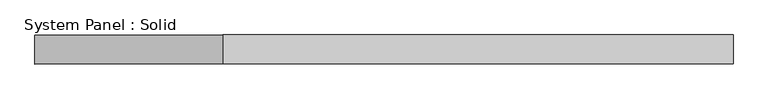
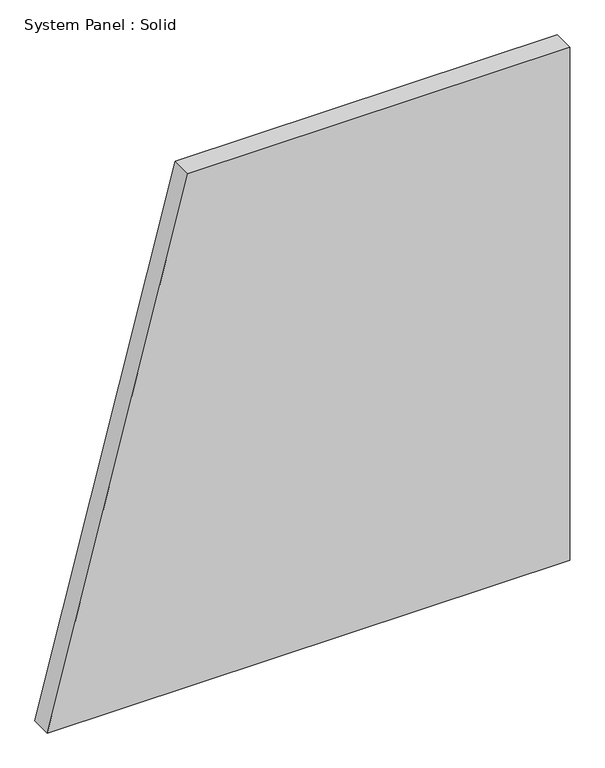
"""IFC4 building model written with IfcOpenShell, lengths in millimetres: plate geometry, System Panel : Solid."""

from ifc_helpers import new_model, si_unit, frame, origin, place, context, project, spatial, polyline, outline, extrude, source, transform, mapped, element, save


def system_panel_solid_95b19f10(model_context):
    return source(origin(), model_context, "Body", "SweptSolid", [
        extrude(outline(polyline([(0.0, -722.8669303), (0.0, 722.8669303), (1500.0, 722.8669303), (1500.0, -334.3003953), (0.0, -722.8669303)])), frame((0.0, -10.5, 0.0), z_axis=(0.0, 1.0, 0.0), x_axis=(0.0, 0.0, 1.0)), (0.0, 0.0, 1.0), 60.0),
    ])


if __name__ == "__main__":
    model = new_model("IFC4")
    model_context = context("Model", 3, world=origin())
    ifc_project = project(units=[si_unit("LENGTHUNIT", "METRE", prefix="MILLI")], contexts=[model_context])
    site = spatial("IfcSite", under=ifc_project)
    building = spatial("IfcBuilding", under=site)
    placement = place(None, origin())
    system_panel_solid_shape = system_panel_solid_95b19f10(model_context)
    element("IfcPlate", 1, ObjectType="System Panel : Solid", at=placement, inside=building, context=model_context, shape_type="MappedRepresentation", body=[
        mapped(system_panel_solid_shape, transform((0.0, 0.0, 0.0), x_axis=(1.0, 0.0, 0.0), y_axis=(0.0, 1.0, 0.0), z_axis=(0.0, 0.0, 1.0))),
    ])
    save(model, "model.ifc")
